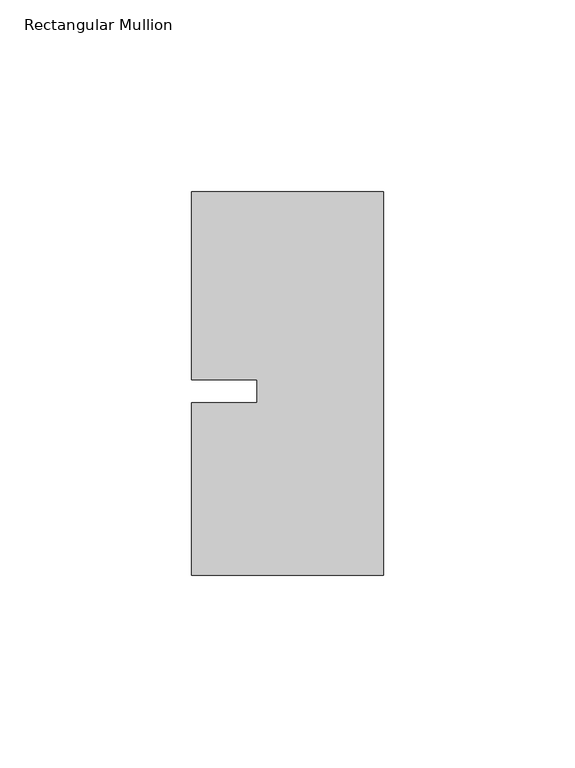
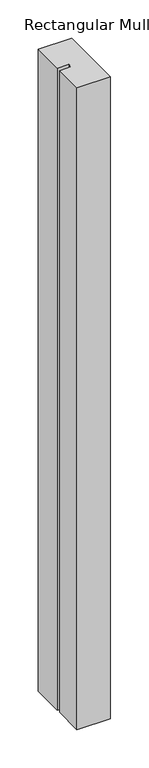
"""IFC4 building model written with IfcOpenShell, lengths in millimetres: member geometry, Rectangular Mullion."""

import ifcopenshell
import ifcopenshell.guid

model = None  # the IFC model being written
_history = None  # IfcOwnerHistory: only IFC2X3 demands one
_inside = {}  # id of a spatial element -> (the spatial element, [elements in it])
_under = {}  # id of a project, library or spatial element -> (it, [spatial elements below it])
_declared = {}  # id of a project -> (the project, [libraries it declares])
_typed = {}  # id of a type object -> (the type object, [elements of that type])
_made_of = {}  # id of a material, layer set ... -> (it, [elements and type objects made of it])


def new_model(schema):
    """Start an empty IFC model of exactly this schema.

    Asked for "IFC4X3", IfcOpenShell would pick the latest addendum, in which some entities
    have other attributes; the version numbers below select the first issue.
    IFC2X3 requires an IfcOwnerHistory on every rooted entity: one is made here for all.
    """
    global model, _history
    if schema == "IFC4X3":
        model = ifcopenshell.file(schema_version=(4, 3, 0, 0))
    else:
        model = ifcopenshell.file(schema=schema)
    _inside.clear()
    _under.clear()
    _declared.clear()
    _typed.clear()
    _made_of.clear()
    _history = None
    if model.schema == "IFC2X3":
        org = make("IfcOrganization", Name="unknown")
        user = make(
            "IfcPersonAndOrganization",
            ThePerson=make("IfcPerson", FamilyName="unknown"),
            TheOrganization=org,
        )
        app = make(
            "IfcApplication",
            ApplicationDeveloper=org,
            Version="unknown",
            ApplicationFullName="unknown",
            ApplicationIdentifier="unknown",
        )
        _history = make(
            "IfcOwnerHistory",
            OwningUser=user,
            OwningApplication=app,
            ChangeAction="ADDED",
            CreationDate=0,
        )
    return model


def make(cls, **values):
    """One entity of the class cls with the attributes given. An attribute that is None is left unset."""
    return model.create_entity(
        cls, **{name: value for name, value in values.items() if value is not None}
    )


def rooted(cls, **values):
    """An entity with a GlobalId (a new one), such as an element, a storey or a relation."""
    return make(cls, GlobalId=ifcopenshell.guid.new(), OwnerHistory=_history, **values)


def si_unit(unit_type, name, prefix=None):
    """IfcSIUnit, for example si_unit("LENGTHUNIT", "METRE", prefix="MILLI")."""
    return make("IfcSIUnit", UnitType=unit_type, Prefix=prefix, Name=name)


def assignment(units):
    """IfcUnitAssignment: the units of a project."""
    return None if units is None else make("IfcUnitAssignment", Units=units)


def point(xyz):
    """IfcCartesianPoint."""
    return None if xyz is None else make("IfcCartesianPoint", Coordinates=xyz)


def direction(xyz):
    """IfcDirection."""
    return None if xyz is None else make("IfcDirection", DirectionRatios=xyz)


def frame(location, z_axis=None, x_axis=None):
    """IfcAxis2Placement3D, a coordinate frame: its origin and axes. An axis left out is left unset."""
    return make(
        "IfcAxis2Placement3D",
        Location=point(location),
        Axis=direction(z_axis),
        RefDirection=direction(x_axis),
    )


def origin():
    """The frame at (0, 0, 0) with its axes left unset."""
    return frame((0.0, 0.0, 0.0))


def place(relative_to, where):
    """IfcLocalPlacement: puts the frame where relative to a parent placement (None: the world)."""
    return make(
        "IfcLocalPlacement", PlacementRelTo=relative_to, RelativePlacement=where
    )


def context(
    kind, dimensions, precision=None, world=None, true_north=None, identifier=None
):
    """IfcGeometricRepresentationContext, for example the 3D "Model" context."""
    return make(
        "IfcGeometricRepresentationContext",
        ContextIdentifier=identifier,
        ContextType=kind,
        CoordinateSpaceDimension=dimensions,
        Precision=precision,
        WorldCoordinateSystem=world,
        TrueNorth=true_north,
    )


def project(units=None, contexts=None):
    """IfcProject with its units and contexts."""
    return rooted(
        "IfcProject",
        Name="project",
        RepresentationContexts=contexts,
        UnitsInContext=assignment(units),
    )


def spatial(cls, under=None, at=None, **own):
    """A site, building, storey or space (cls), placed at a placement, below another one or the project."""
    s = rooted(cls, ObjectPlacement=at, **own)
    if under is not None:
        _under.setdefault(under.id(), (under, []))[1].append(s)
    return s


def polyline(points):
    """IfcPolyline through the points."""
    return make("IfcPolyline", Points=[point(p) for p in points])


def outline(outer, holes=None, kind="AREA"):
    """IfcArbitraryClosedProfileDef: a profile drawn as a closed curve; with holes, ...WithVoids."""
    if holes is None:
        return make("IfcArbitraryClosedProfileDef", ProfileType=kind, OuterCurve=outer)
    return make(
        "IfcArbitraryProfileDefWithVoids",
        ProfileType=kind,
        OuterCurve=outer,
        InnerCurves=holes,
    )


def extrude(swept, where, along, depth):
    """IfcExtrudedAreaSolid: the profile swept, set in the frame where, extruded along a direction by depth."""
    return make(
        "IfcExtrudedAreaSolid",
        SweptArea=swept,
        Position=where,
        ExtrudedDirection=direction(along),
        Depth=depth,
    )


def shape(context_of_items, identifier, shape_type, items):
    """IfcShapeRepresentation: the items that make up one representation, for example the "Body"."""
    return make(
        "IfcShapeRepresentation",
        ContextOfItems=context_of_items,
        RepresentationIdentifier=identifier,
        RepresentationType=shape_type,
        Items=items,
    )


def source(mapping_origin, context_of_items, identifier, shape_type, items):
    """IfcRepresentationMap: a shape defined once, which mapped items show again and again."""
    return make(
        "IfcRepresentationMap",
        MappingOrigin=mapping_origin,
        MappedRepresentation=shape(context_of_items, identifier, shape_type, items),
    )


def transform(
    local_origin,
    x_axis=None,
    y_axis=None,
    z_axis=None,
    scale=None,
    scale2=None,
    scale3=None,
    uniform=True,
):
    """IfcCartesianTransformationOperator3D, or its non-uniform kind. x_axis, y_axis, z_axis: its Axis1, 2, 3."""
    if uniform:
        return make(
            "IfcCartesianTransformationOperator3D",
            Axis1=direction(x_axis),
            Axis2=direction(y_axis),
            LocalOrigin=point(local_origin),
            Scale=scale,
            Axis3=direction(z_axis),
        )
    return make(
        "IfcCartesianTransformationOperator3DnonUniform",
        Axis1=direction(x_axis),
        Axis2=direction(y_axis),
        LocalOrigin=point(local_origin),
        Scale=scale,
        Axis3=direction(z_axis),
        Scale2=scale2,
        Scale3=scale3,
    )


def mapped(mapping_source, mapping_target):
    """IfcMappedItem: shows the shape of a source again, moved by a transform."""
    return make(
        "IfcMappedItem", MappingSource=mapping_source, MappingTarget=mapping_target
    )


def made_of(thing, what):
    """Note that an element or type object is made of a material, layer set ...; save() writes the relation."""
    if what is not None:
        _made_of.setdefault(what.id(), (what, []))[1].append(thing)
    return thing


def element(
    cls,
    number,
    at=None,
    inside=None,
    cuts=None,
    type_object=None,
    material=None,
    context=None,
    identifier="Body",
    shape_type=None,
    held_by="IfcProductDefinitionShape",
    body=None,
    shapes=None,
    **own,
):
    """One element of the class cls, such as IfcWall. Its Tag is "e" and its number.

    at: its placement. inside: the storey or other place that contains it. cuts: it is an
    opening in that element (IfcRelVoidsElement). A single representation is given by context,
    identifier, shape_type and body (its items); several are given by shapes. held_by: the class
    of the entity that holds the representations. save() writes the other relations.
    """
    e = rooted(cls, Tag="e%d" % number, ObjectPlacement=at, **own)
    if body is not None:
        shapes = [shape(context, identifier, shape_type, body)]
    if shapes is not None:
        e.Representation = make(held_by, Representations=shapes)
    if inside is not None:
        _inside.setdefault(inside.id(), (inside, []))[1].append(e)
    if cuts is not None:
        rooted(
            "IfcRelVoidsElement", RelatingBuildingElement=cuts, RelatedOpeningElement=e
        )
    if type_object is not None:
        _typed.setdefault(type_object.id(), (type_object, []))[1].append(e)
    return made_of(e, material)


def aggregate(whole, parts):
    """IfcRelAggregates: a whole, such as a stair, and the parts it consists of."""
    return rooted("IfcRelAggregates", RelatingObject=whole, RelatedObjects=parts)


def save(model, path):
    """Write the relations noted so far, then the file.

    IfcRelAggregates (storeys below a building ...), IfcRelContainedInSpatialStructure (elements
    in a storey), IfcRelDefinesByType, IfcRelAssociatesMaterial and IfcRelDeclares: one each for
    every whole, place, type object, material and project.
    """
    for whole, parts in _under.values():
        aggregate(whole, parts)
    for where, things in _inside.values():
        rooted(
            "IfcRelContainedInSpatialStructure",
            RelatedElements=things,
            RelatingStructure=where,
        )
    for kind, things in _typed.values():
        rooted("IfcRelDefinesByType", RelatedObjects=things, RelatingType=kind)
    for what, things in _made_of.values():
        rooted("IfcRelAssociatesMaterial", RelatedObjects=things, RelatingMaterial=what)
    for by, libraries in _declared.values():
        rooted("IfcRelDeclares", RelatingContext=by, RelatedDefinitions=libraries)
    model.write(path)


def rectangular_mullion_71d294b1(model_context):
    return source(origin(), model_context, "Body", "SweptSolid", [
        extrude(outline(polyline([(-33.0004407, -3.0000086), (-33.0004379, 3.0000086), (-49.9999762, 3.0000166), (-49.9999534, 51.9999993), (0.0, 51.9999711), (0.0, -48.000024), (-50.0, -48.0000007), (-49.999979, -3.0000007), (-33.0004407, -3.0000086)])), frame((0.0, 0.0, -1018.5412387), z_axis=(0.0, 0.0, 1.0), x_axis=(1.0, 0.0, 0.0)), (0.0, 0.0, 1.0), 1018.5412387),
    ])


if __name__ == "__main__":
    model = new_model("IFC4")
    model_context = context("Model", 3, world=origin())
    ifc_project = project(units=[si_unit("LENGTHUNIT", "METRE", prefix="MILLI")], contexts=[model_context])
    site = spatial("IfcSite", under=ifc_project)
    building = spatial("IfcBuilding", under=site)
    placement = place(None, origin())
    rectangular_mullion_shape = rectangular_mullion_71d294b1(model_context)
    element("IfcMember", 1, ObjectType="Rectangular Mullion", at=placement, inside=building, context=model_context, shape_type="MappedRepresentation", body=[
        mapped(rectangular_mullion_shape, transform((0.0, 0.0, 0.0), x_axis=(1.0, 0.0, 0.0), y_axis=(0.0, 1.0, 0.0), z_axis=(0.0, 0.0, 1.0))),
    ])
    save(model, "model.ifc")
